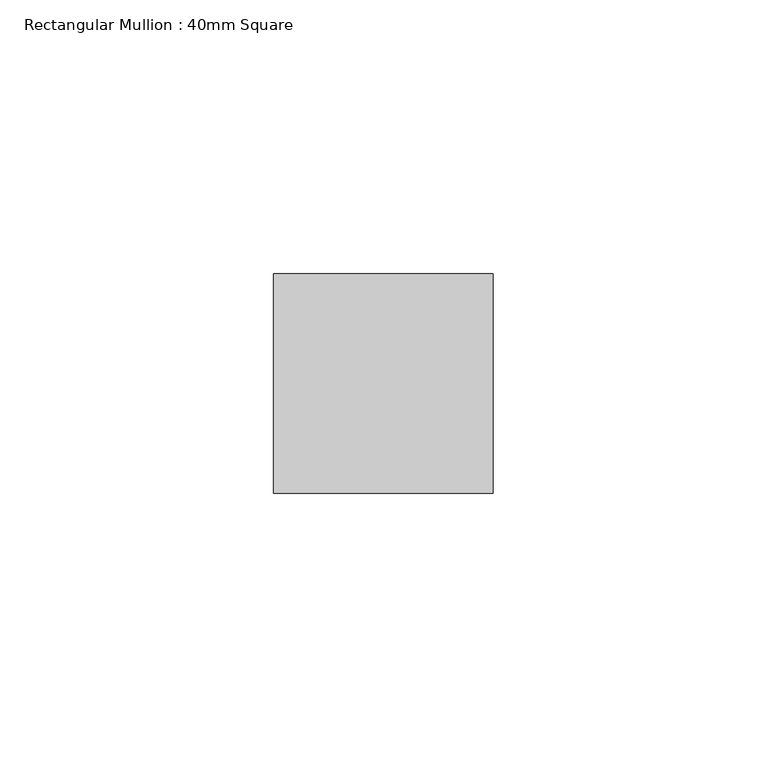
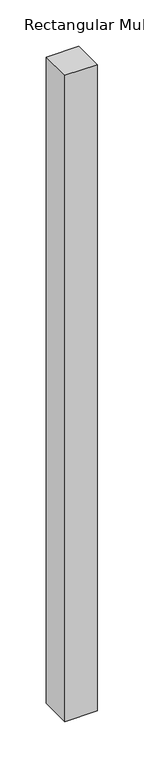
"""IFC4 building model written with IfcOpenShell, lengths in millimetres: member geometry, Rectangular Mullion : 40mm Square."""

from ifc_helpers import new_model, si_unit, frame, origin, place, context, project, spatial, polyline, outline, extrude, source, transform, mapped, element, save


def rectangular_mullion_40mm_square_14ea7c17(model_context):
    return source(origin(), model_context, "Body", "SweptSolid", [
        extrude(outline(polyline([(0.0, 20.0), (0.0, -20.0), (-40.0, -20.0), (-40.0, 20.0), (0.0, 20.0)])), frame((0.0, 0.0, -850.0), z_axis=(0.0, 0.0, 1.0), x_axis=(1.0, 0.0, 0.0)), (0.0, 0.0, 1.0), 850.0),
    ])


if __name__ == "__main__":
    model = new_model("IFC4")
    model_context = context("Model", 3, world=origin())
    ifc_project = project(units=[si_unit("LENGTHUNIT", "METRE", prefix="MILLI")], contexts=[model_context])
    site = spatial("IfcSite", under=ifc_project)
    building = spatial("IfcBuilding", under=site)
    placement = place(None, origin())
    rectangular_mullion_40mm_square_shape = rectangular_mullion_40mm_square_14ea7c17(model_context)
    element("IfcMember", 1, ObjectType="Rectangular Mullion : 40mm Square", at=placement, inside=building, context=model_context, shape_type="MappedRepresentation", body=[
        mapped(rectangular_mullion_40mm_square_shape, transform((0.0, 0.0, 0.0), x_axis=(1.0, 0.0, 0.0), y_axis=(0.0, 1.0, 0.0), z_axis=(0.0, 0.0, 1.0))),
    ])
    save(model, "model.ifc")
